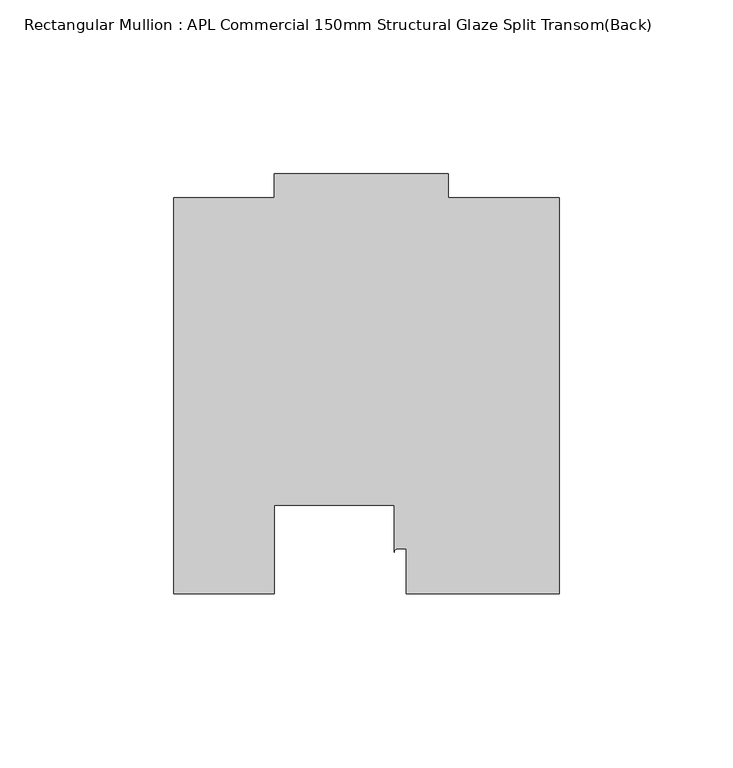
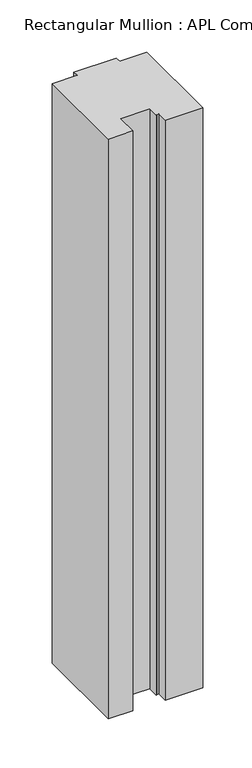
"""IFC4 building model written with IfcOpenShell, lengths in millimetres: member geometry, Rectangular Mullion : APL Commercial 150mm Structural Glaze Split Transom(Back)."""

from ifc_helpers import new_model, si_unit, point, frame, frame_2d, origin, place, context, project, spatial, polyline, circle_curve, trimmed, segment, composite_curve, outline, extrude, source, transform, mapped, element, save


def rectangular_mullion_apl_commercial_150mm_structural_glaze_43d7bd37(model_context):
    return source(origin(), model_context, "Body", "SweptSolid", [
        extrude(outline(composite_curve([segment(polyline([(54.0000029, 15.0004617), (10.0000029, 15.0004617), (10.0000029, 28.0002131), (7.5000029, 28.0002131)]), True, "CONTINUOUS"), segment(trimmed(circle_curve(frame_2d((7.5000029, 27.0002131)), 1.0), [point((7.5000029, 28.0002131))], [point((6.5000029, 27.0002131))], True, "CARTESIAN"), True, "CONTINUOUS"), segment(polyline([(6.5000029, 27.0002131), (6.5000029, 40.499932), (-28.0000482, 40.499932), (-28.0000482, 15.0001793), (-57.0000004, 15.0001793), (-57.0000004, 129.0002765), (-27.9971154, 129.0002765), (-27.9971154, 136.0003326), (22.0028846, 136.0003326), (22.0028846, 129.0003326), (54.0000029, 129.0003326), (54.0000029, 15.0004617)]), True, "CONTINUOUS")], self_intersect=False)), frame((0.0, 0.0, -722.1422708), z_axis=(0.0, 0.0, 1.0), x_axis=(1.0, 0.0, 0.0)), (0.0, 0.0, 1.0), 722.1422708),
    ])


if __name__ == "__main__":
    model = new_model("IFC4")
    model_context = context("Model", 3, world=origin())
    ifc_project = project(units=[si_unit("LENGTHUNIT", "METRE", prefix="MILLI")], contexts=[model_context])
    site = spatial("IfcSite", under=ifc_project)
    building = spatial("IfcBuilding", under=site)
    placement = place(None, origin())
    rectangular_mullion_apl_commercial_150mm_structural_glaze_shape = rectangular_mullion_apl_commercial_150mm_structural_glaze_43d7bd37(model_context)
    element("IfcMember", 1, ObjectType="Rectangular Mullion : APL Commercial 150mm Structural Glaze Split Transom(Back)", at=placement, inside=building, context=model_context, shape_type="MappedRepresentation", body=[
        mapped(rectangular_mullion_apl_commercial_150mm_structural_glaze_shape, transform((0.0, 0.0, 0.0), x_axis=(1.0, 0.0, 0.0), y_axis=(0.0, 1.0, 0.0), z_axis=(0.0, 0.0, 1.0))),
    ])
    save(model, "model.ifc")
